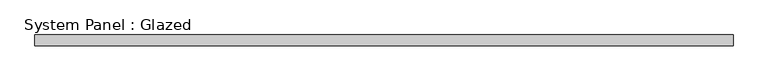
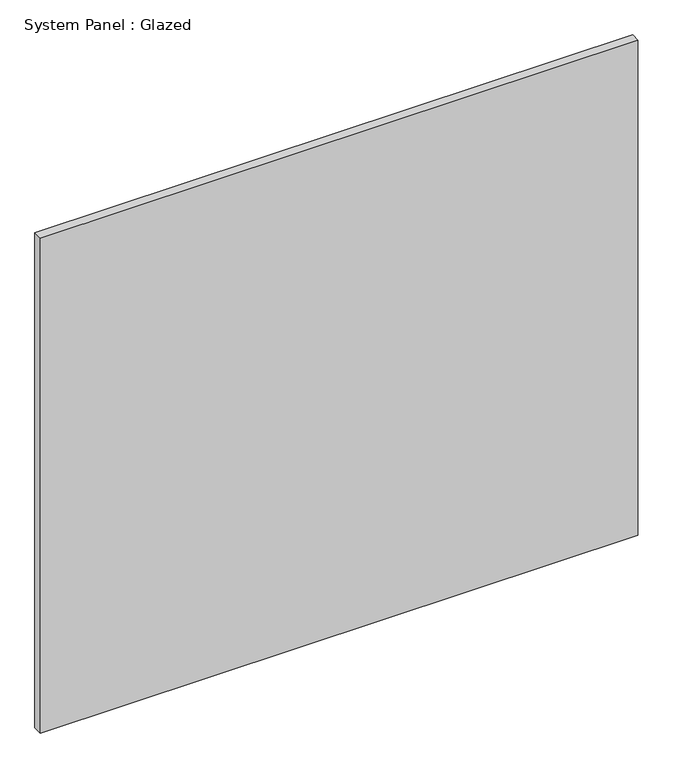
"""IFC4 building model written with IfcOpenShell, lengths in millimetres: plate geometry, System Panel : Glazed."""

from ifc_helpers import new_model, si_unit, origin, origin_with_axes, place, context, project, spatial, polyline, outline, extrude, source, transform, mapped, element, save


def system_panel_glazed_5d099a4c(model_context):
    return source(origin(), model_context, "Body", "SweptSolid", [
        extrude(outline(polyline([(796.6455623, 24.5), (-796.6455623, 24.5), (-796.6455623, 49.5), (796.6455623, 49.5), (796.6455623, 24.5)])), origin_with_axes(), (0.0, 0.0, 1.0), 1395.0),
    ])


if __name__ == "__main__":
    model = new_model("IFC4")
    model_context = context("Model", 3, world=origin())
    ifc_project = project(units=[si_unit("LENGTHUNIT", "METRE", prefix="MILLI")], contexts=[model_context])
    site = spatial("IfcSite", under=ifc_project)
    building = spatial("IfcBuilding", under=site)
    placement = place(None, origin())
    system_panel_glazed_shape = system_panel_glazed_5d099a4c(model_context)
    element("IfcPlate", 1, ObjectType="System Panel : Glazed", at=placement, inside=building, context=model_context, shape_type="MappedRepresentation", body=[
        mapped(system_panel_glazed_shape, transform((0.0, 0.0, 0.0), x_axis=(1.0, 0.0, 0.0), y_axis=(0.0, 1.0, 0.0), z_axis=(0.0, 0.0, 1.0))),
    ])
    save(model, "model.ifc")
